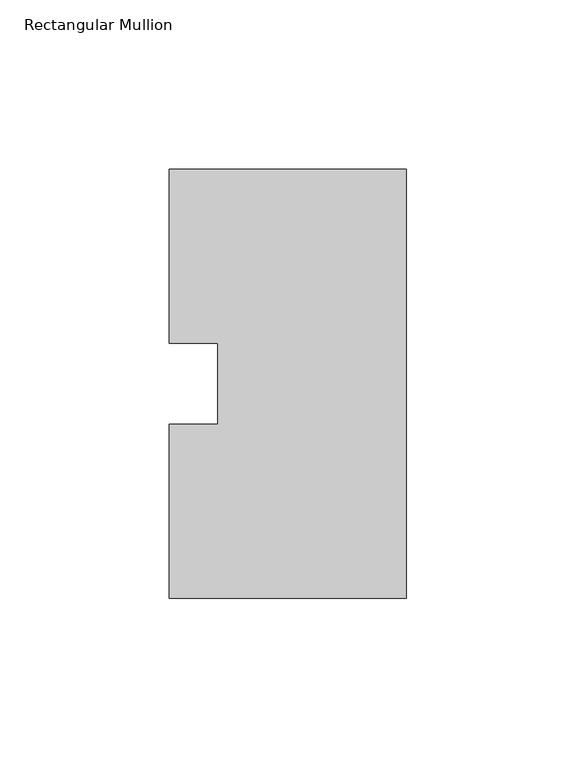
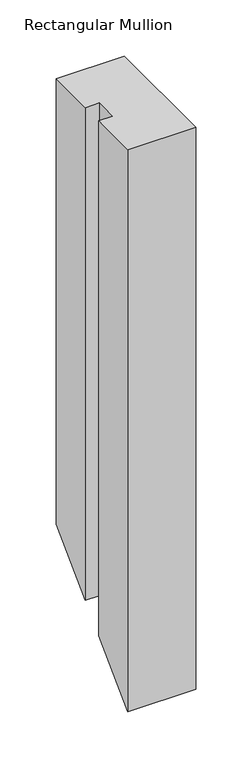
"""IFC4 building model written with IfcOpenShell, lengths in millimetres: member geometry, Rectangular Mullion."""

from ifc_helpers import new_model, si_unit, origin, place, context, project, spatial, faceted_brep, source, transform, mapped, element, save


def rectangular_mullion_6f6169ed(model_context):
    return source(origin(), model_context, "Body", "Brep", [
        faceted_brep([(0.0, 126.75235, 0.0), (-69.85, 126.75235, 0.0), (-69.85, 75.40625, 0.0), (-55.5625, 75.40625, 0.0), (-55.5625, 51.60645, 0.0), (-69.85, 51.60645, 0.0), (-69.85, 0.26035, 0.0), (0.0, 0.26035, 0.0), (0.0, 126.75235, -482.84765), (-69.85, 126.75235, -482.84765), (-69.85, 75.40625, -534.19375), (-55.5625, 75.40625, -534.19375), (-55.5625, 51.60645, -557.99355), (-69.85, 51.60645, -557.99355), (-69.85, 0.26035, -609.33965), (0.0, 0.26035, -609.33965)], [[[0, 1, 2, 3, 4, 5, 6, 7]], [[1, 0, 8, 9]], [[2, 1, 9, 10]], [[3, 2, 10, 11]], [[4, 3, 11, 12]], [[5, 4, 12, 13]], [[6, 5, 13, 14]], [[7, 6, 14, 15]], [[0, 7, 15, 8]], [[8, 15, 14, 13, 12, 11, 10, 9]]]),
    ])


if __name__ == "__main__":
    model = new_model("IFC4")
    model_context = context("Model", 3, world=origin())
    ifc_project = project(units=[si_unit("LENGTHUNIT", "METRE", prefix="MILLI")], contexts=[model_context])
    site = spatial("IfcSite", under=ifc_project)
    building = spatial("IfcBuilding", under=site)
    placement = place(None, origin())
    rectangular_mullion_shape = rectangular_mullion_6f6169ed(model_context)
    element("IfcMember", 1, ObjectType="Rectangular Mullion", at=placement, inside=building, context=model_context, shape_type="MappedRepresentation", body=[
        mapped(rectangular_mullion_shape, transform((0.0, 0.0, 0.0), x_axis=(1.0, 0.0, 0.0), y_axis=(0.0, 1.0, 0.0), z_axis=(0.0, 0.0, 1.0))),
    ])
    save(model, "model.ifc")
